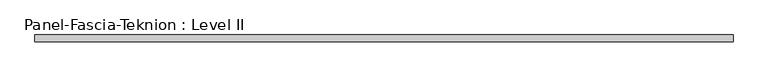
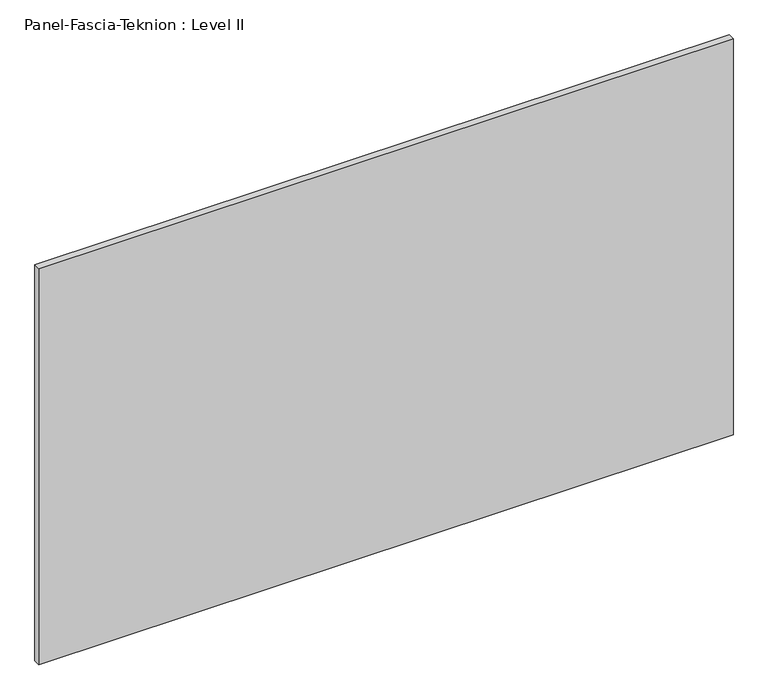
"""IFC4 building model written with IfcOpenShell, lengths in millimetres: proxy geometry, Panel-Fascia-Teknion : Level II."""

from ifc_helpers import new_model, si_unit, frame, origin, place, context, project, spatial, polyline, outline, extrude, source, transform, mapped, element, save


def panel_fascia_teknion_level_ii_750ba18f(model_context):
    return source(origin(), model_context, "Body", "SweptSolid", [
        extrude(outline(polyline([(1005.8356344, 9.525), (1005.8356344, -9.525), (-1005.8356344, -9.525), (-1005.8356344, 9.525), (1005.8356344, 9.525)])), frame((0.0, 0.0, 3.175), z_axis=(0.0, 0.0, 1.0), x_axis=(1.0, 0.0, 0.0)), (0.0, 0.0, 1.0), 1212.85),
    ])


if __name__ == "__main__":
    model = new_model("IFC4")
    model_context = context("Model", 3, world=origin())
    ifc_project = project(units=[si_unit("LENGTHUNIT", "METRE", prefix="MILLI")], contexts=[model_context])
    site = spatial("IfcSite", under=ifc_project)
    building = spatial("IfcBuilding", under=site)
    placement = place(None, origin())
    panel_fascia_teknion_level_ii_shape = panel_fascia_teknion_level_ii_750ba18f(model_context)
    element("IfcBuildingElementProxy", 1, Name="Panel-Fascia-Teknion : Level II", ObjectType="Panel-Fascia-Teknion : Level II", at=placement, inside=building, context=model_context, shape_type="MappedRepresentation", body=[
        mapped(panel_fascia_teknion_level_ii_shape, transform((0.0, 0.0, 0.0), x_axis=(1.0, 0.0, 0.0), y_axis=(0.0, 1.0, 0.0), z_axis=(0.0, 0.0, 1.0))),
    ])
    save(model, "model.ifc")
